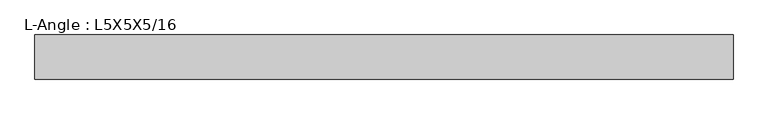
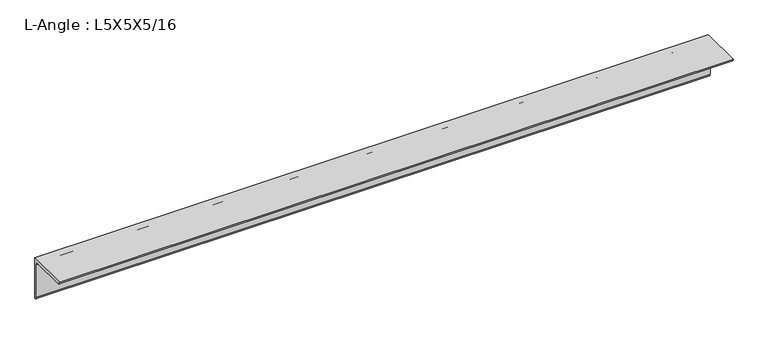
"""IFC4 building model written with IfcOpenShell, lengths in millimetres: beam geometry, L-Angle : L5X5X5/16."""

from ifc_helpers import new_model, si_unit, point, frame, frame_2d, origin, place, context, project, spatial, polyline, circle_curve, trimmed, segment, composite_curve, outline, extrude, source, transform, mapped, element, save


def l_angle_l5x5x5_16_e9fd9bba(model_context):
    return source(origin(), model_context, "Body", "SweptSolid", [
        extrude(outline(composite_curve([segment(polyline([(34.3296875, 34.3296875), (34.3296875, -92.6703125)]), True, "CONTINUOUS"), segment(trimmed(circle_curve(frame_2d((34.3296875, -84.7328125)), 7.9375), [point((34.3296875, -92.6703125))], [point((26.3921875, -84.7328125))], False, "CARTESIAN"), True, "CONTINUOUS"), segment(polyline([(26.3921875, -84.7328125), (26.3921875, 18.4546875)]), True, "CONTINUOUS"), segment(trimmed(circle_curve(frame_2d((18.4546875, 18.4546875)), 7.9375), [point((26.3921875, 18.4546875))], [point((18.4546875, 26.3921875))], True, "CARTESIAN"), True, "CONTINUOUS"), segment(polyline([(18.4546875, 26.3921875), (-84.7328125, 26.3921875)]), True, "CONTINUOUS"), segment(trimmed(circle_curve(frame_2d((-84.7328125, 34.3296875)), 7.9375), [point((-84.7328125, 26.3921875))], [point((-92.6703125, 34.3296875))], False, "CARTESIAN"), True, "CONTINUOUS"), segment(polyline([(-92.6703125, 34.3296875), (34.3296875, 34.3296875)]), True, "CONTINUOUS")], self_intersect=False)), frame((-1003.7960937, 0.0, 0.0), z_axis=(1.0, 0.0, 0.0), x_axis=(0.0, 1.0, 0.0)), (0.0, 0.0, 1.0), 2007.5921875),
    ])


if __name__ == "__main__":
    model = new_model("IFC4")
    model_context = context("Model", 3, world=origin())
    ifc_project = project(units=[si_unit("LENGTHUNIT", "METRE", prefix="MILLI")], contexts=[model_context])
    site = spatial("IfcSite", under=ifc_project)
    building = spatial("IfcBuilding", under=site)
    placement = place(None, origin())
    l_angle_l5x5x5_16_shape = l_angle_l5x5x5_16_e9fd9bba(model_context)
    element("IfcBeam", 1, ObjectType="L-Angle : L5X5X5/16", at=placement, inside=building, context=model_context, shape_type="MappedRepresentation", body=[
        mapped(l_angle_l5x5x5_16_shape, transform((0.0, 0.0, 0.0), x_axis=(1.0, 0.0, 0.0), y_axis=(0.0, 1.0, 0.0), z_axis=(0.0, 0.0, 1.0))),
    ])
    save(model, "model.ifc")
